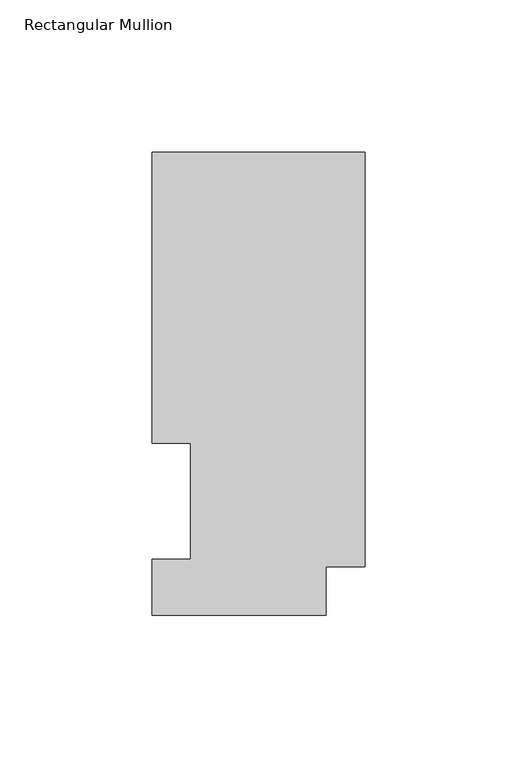
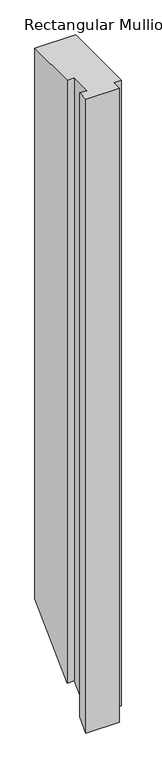
"""IFC4 building model written with IfcOpenShell, lengths in millimetres: member geometry, Rectangular Mullion."""

from ifc_helpers import new_model, si_unit, origin, place, context, project, spatial, faceted_brep, source, transform, mapped, element, save


def rectangular_mullion_4e05bdf2(model_context):
    return source(origin(), model_context, "Body", "Brep", [
        faceted_brep([(-69.9516, 56.35625, 0.0), (-57.2516, 56.35625, 0.0), (-57.2516, 18.25625, 0.0), (-69.9516, 18.25625, 0.0), (-69.9516, -0.03175, 0.0), (-12.8016, -0.03175, 0.0), (-12.8016, 15.86865, 0.0), (0.0, 15.86865, 0.0), (0.0, 151.98725, 0.0), (-69.9516, 151.98725, 0.0), (-69.9516, 56.35625, -1096.1116), (-57.2516, 56.35625, -1096.1116), (-57.2516, 18.25625, -1134.2116), (-69.9516, 18.25625, -1134.2116), (-69.9516, -0.03175, -1152.4996), (-12.8016, -0.03175, -1152.4996), (-12.8016, 15.86865, -1136.5992), (0.0, 15.86865, -1136.5992), (0.0, 151.98725, -1000.4806), (-69.9516, 151.98725, -1000.4806)], [[[0, 1, 2, 3, 4, 5, 6, 7, 8, 9]], [[1, 0, 10, 11]], [[2, 1, 11, 12]], [[3, 2, 12, 13]], [[4, 3, 13, 14]], [[5, 4, 14, 15]], [[6, 5, 15, 16]], [[7, 6, 16, 17]], [[8, 7, 17, 18]], [[9, 8, 18, 19]], [[0, 9, 19, 10]], [[10, 19, 18, 17, 16, 15, 14, 13, 12, 11]]]),
    ])


if __name__ == "__main__":
    model = new_model("IFC4")
    model_context = context("Model", 3, world=origin())
    ifc_project = project(units=[si_unit("LENGTHUNIT", "METRE", prefix="MILLI")], contexts=[model_context])
    site = spatial("IfcSite", under=ifc_project)
    building = spatial("IfcBuilding", under=site)
    placement = place(None, origin())
    rectangular_mullion_shape = rectangular_mullion_4e05bdf2(model_context)
    element("IfcMember", 1, ObjectType="Rectangular Mullion", at=placement, inside=building, context=model_context, shape_type="MappedRepresentation", body=[
        mapped(rectangular_mullion_shape, transform((0.0, 0.0, 0.0), x_axis=(1.0, 0.0, 0.0), y_axis=(0.0, 1.0, 0.0), z_axis=(0.0, 0.0, 1.0))),
    ])
    save(model, "model.ifc")
